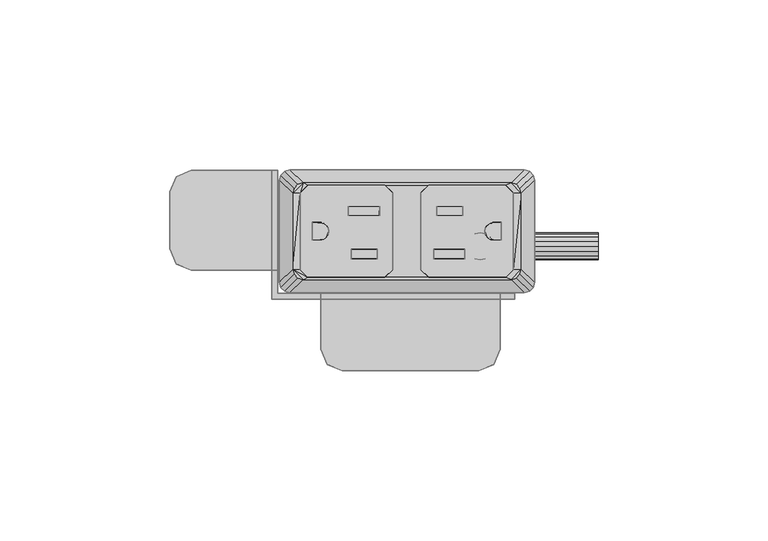
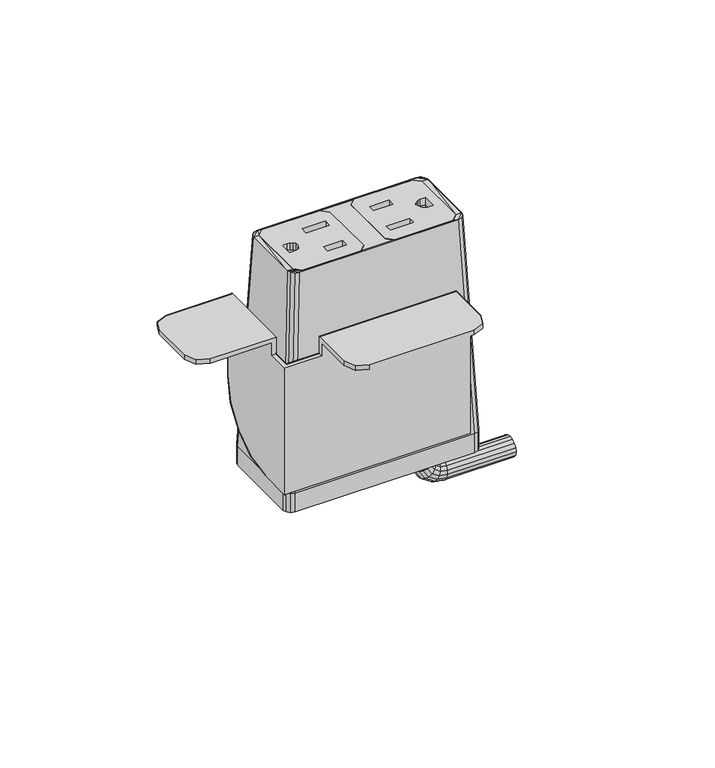
"""IFC4 building model written with IfcOpenShell, lengths in millimetres: furniture geometry."""

from ifc_helpers import new_model, si_unit, origin, place, context, project, spatial, triangles, source, transform, mapped, element, save


def furniture_efbe7db8(model_context):
    return source(origin(), model_context, "Body", "Tessellation", [
        triangles([(-23.7939078, -1.8495112, 0.038991), (-24.6426637, -2.4166258, 0.0416722), (-16.4426896, -5.3081397, 0.0553426), (-23.2267868, -1.0007643, 0.0349783), (-23.0276392, 0.0004009, 0.030245), (-23.2267868, 1.0015661, 0.0255118), (-17.3697905, 4.5977495, 0.0085098), (-17.3697905, 7.4425179, -0.0049396), (-23.7939078, 1.850313, 0.0214991), (-31.4604389, 11.3032742, -0.0231924), (-24.6426637, 2.4174274, 0.0188179), (-25.6438403, 2.6165716, 0.0178764), (-27.90444, 2.6165716, 0.0178764), (-31.4604389, -11.3024726, 0.0836825), (-27.90444, -2.6157699, 0.0426137), (-25.6438403, -2.6157699, 0.0426137), (-16.4426896, -8.1529078, 0.068792), (-4.2824401, -11.3024726, 0.0836825), (-8.78459, -8.1529078, 0.068792), (-4.2824401, 11.3032742, -0.0231924), (-8.78459, -5.3081397, 0.0553426), (-8.1114899, 7.4425179, -0.0049396), (-8.1114899, 4.5977495, 0.0085098), (-6.5684399, 13.5892493, -0.034), (-29.1744411, 13.5892493, -0.034), (-8.78459, -8.1667146, -2.851531), (-16.4426896, -8.1667146, -2.851531), (-8.78459, -5.3219465, -2.8649803), (-16.4426896, -5.3219465, -2.8649803), (-27.90444, -2.6295764, -2.8777092), (-27.90444, 2.6027651, -2.9024465), (-25.6438403, -2.6295764, -2.8777092), (-24.6426637, -2.4304322, -2.8786508), (-23.7939078, -1.8633178, -2.8813319), (-23.2267868, -1.014571, -2.8853446), (-23.0276392, -0.0134058, -2.8900778), (-23.2267868, 0.9877594, -2.894811), (-23.7939078, 1.8365063, -2.8988238), (-24.6426637, 2.403621, -2.9015049), (-25.6438403, 2.6027651, -2.9024465), (-17.3697905, 7.4287111, -2.9252623), (-8.1114899, 7.4287111, -2.9252623), (-17.3697905, 4.5839428, -2.911813), (-8.1114899, 4.5839428, -2.911813), (-31.4604389, -11.3090742, -1.3126969), (-29.1744411, -13.5950493, -1.3018894), (-29.1744411, -13.5884477, 0.09449), (-6.5684399, -13.5950493, -1.3018894), (-6.5684399, -13.5884477, 0.09449), (-4.2824401, -11.3090742, -1.3126969), (-4.2824401, 11.2966726, -1.4195718), (-6.5684399, 13.5826477, -1.4303795), (-29.1744411, 13.5826477, -1.4303795), (-31.4604389, 11.2966726, -1.4195718), (17.0497496, -5.3081397, 0.0553426), (24.4559745, -2.4166258, 0.0416722), (23.6072164, -1.8495112, 0.038991), (22.84095, 0.0004009, 0.030245), (23.0400953, -1.0007643, 0.0349783), (16.3893498, 4.5977495, 0.0085098), (23.0400953, 1.0015661, 0.0255118), (23.6072164, 1.850313, 0.0214991), (16.3893498, 7.4425179, -0.0049396), (24.4559745, 2.4174274, 0.0188179), (31.2737497, 11.3032742, -0.0231924), (27.7177508, 2.6165716, 0.0178764), (25.4571489, 2.6165716, 0.0178764), (27.7177508, -2.6157699, 0.0426137), (31.2737497, -11.3024726, 0.0836825), (25.4571489, -2.6157699, 0.0426137), (17.0497496, -8.1529078, 0.068792), (7.8041498, -8.1529078, 0.068792), (4.0957501, -11.3024726, 0.0836825), (7.8041498, -5.3081397, 0.0553426), (4.0957501, 11.3032742, -0.0231924), (8.71855, 4.5977495, 0.0085098), (8.71855, 7.4425179, -0.0049396), (28.9877496, 13.5892493, -0.034), (6.3817502, 13.5892493, -0.034), (17.0497496, -8.1667146, -2.851531), (7.8041498, -8.1667146, -2.851531), (7.8041498, -5.3219465, -2.8649803), (17.0497496, -5.3219465, -2.8649803), (27.7177508, 2.6027651, -2.9024465), (27.7177508, -2.6295764, -2.8777092), (25.4571489, -2.6295764, -2.8777092), (24.4559745, -2.4304322, -2.8786508), (23.6072164, -1.8633178, -2.8813319), (23.0400953, -1.014571, -2.8853446), (22.84095, -0.0134058, -2.8900778), (23.0400953, 0.9877594, -2.894811), (23.6072164, 1.8365063, -2.8988238), (24.4559745, 2.403621, -2.9015049), (25.4571489, 2.6027651, -2.9024465), (8.71855, 7.4287111, -2.9252623), (16.3893498, 7.4287111, -2.9252623), (16.3893498, 4.5839428, -2.911813), (8.71855, 4.5839428, -2.911813), (28.9877496, -13.5884477, 0.09449), (28.9877496, -13.5950493, -1.3018894), (31.2737497, -11.3090742, -1.3126969), (6.3817502, -13.5884477, 0.09449), (6.3817502, -13.5950493, -1.3018894), (4.0957501, -11.3090742, -1.3126969), (4.0957501, 11.2966726, -1.4195718), (6.3817502, 13.5826477, -1.4303795), (28.9877496, 13.5826477, -1.4303795), (31.2737497, 11.2966726, -1.4195718)], [[1, 2, 3], [4, 1, 5], [1, 3, 5], [6, 5, 7], [5, 3, 7], [7, 8, 9], [7, 9, 6], [8, 10, 11], [8, 11, 9], [11, 12, 13], [11, 13, 10], [10, 14, 15], [10, 15, 13], [15, 14, 2], [15, 2, 16], [2, 14, 17], [2, 17, 3], [14, 18, 19], [14, 19, 17], [18, 20, 21], [18, 21, 19], [21, 20, 22], [21, 22, 23], [3, 21, 23], [3, 23, 7], [22, 20, 10], [22, 10, 8], [10, 20, 24], [10, 24, 25], [19, 26, 27], [19, 27, 17], [21, 28, 26], [21, 26, 19], [3, 29, 28], [3, 28, 21], [17, 27, 29], [17, 29, 3], [15, 30, 31], [15, 31, 13], [16, 32, 30], [16, 30, 15], [2, 33, 32], [2, 32, 16], [1, 34, 33], [1, 33, 2], [4, 35, 34], [4, 34, 1], [5, 36, 35], [5, 35, 4], [6, 37, 36], [6, 36, 5], [9, 38, 37], [9, 37, 6], [11, 39, 38], [11, 38, 9], [12, 40, 39], [12, 39, 11], [13, 31, 40], [13, 40, 12], [8, 41, 42], [8, 42, 22], [7, 43, 41], [7, 41, 8], [23, 44, 43], [23, 43, 7], [22, 42, 44], [22, 44, 23], [14, 45, 46], [14, 46, 47], [47, 46, 48], [47, 48, 49], [48, 50, 18], [48, 18, 49], [18, 50, 51], [18, 51, 20], [51, 52, 24], [51, 24, 20], [24, 52, 53], [24, 53, 25], [53, 54, 10], [53, 10, 25], [10, 54, 45], [10, 45, 14], [47, 49, 18], [47, 18, 14], [55, 56, 57], [58, 55, 57], [58, 57, 59], [60, 55, 58], [60, 58, 61], [61, 62, 63], [61, 63, 60], [62, 64, 65], [62, 65, 63], [65, 66, 67], [65, 67, 64], [66, 68, 69], [66, 69, 65], [70, 56, 69], [70, 69, 68], [55, 71, 69], [55, 69, 56], [71, 72, 73], [71, 73, 69], [72, 74, 73], [74, 75, 73], [76, 77, 74], [77, 75, 74], [60, 76, 74], [60, 74, 55], [63, 65, 75], [63, 75, 77], [78, 79, 75], [78, 75, 65], [71, 80, 81], [71, 81, 72], [72, 81, 82], [72, 82, 74], [74, 82, 83], [74, 83, 55], [55, 83, 80], [55, 80, 71], [66, 84, 85], [66, 85, 68], [68, 85, 86], [68, 86, 70], [70, 86, 87], [70, 87, 56], [56, 87, 88], [56, 88, 57], [57, 88, 89], [57, 89, 59], [59, 89, 90], [59, 90, 58], [58, 90, 91], [58, 91, 61], [61, 91, 92], [61, 92, 62], [62, 92, 93], [62, 93, 64], [64, 93, 94], [64, 94, 67], [67, 94, 84], [67, 84, 66], [77, 95, 96], [77, 96, 63], [63, 96, 97], [63, 97, 60], [60, 97, 98], [60, 98, 76], [76, 98, 95], [76, 95, 77], [99, 100, 101], [99, 101, 69], [102, 103, 100], [102, 100, 99], [102, 73, 104], [102, 104, 103], [75, 105, 104], [75, 104, 73], [75, 79, 106], [75, 106, 105], [78, 107, 106], [78, 106, 79], [78, 65, 108], [78, 108, 107], [69, 101, 108], [69, 108, 65], [69, 73, 102], [69, 102, 99]], closed=False),
        triangles([(34.5440011, 18.0979006, -86.3297505), (34.5440011, 18.0979006, -93.9497523), (-34.5440011, 18.0979006, -93.9497523), (-34.5440011, 18.0979006, -86.3297505), (37.5920005, -15.0490996, -86.3297505), (37.5920005, -15.0490996, -93.9497523), (37.5920005, 15.0499012, -93.9497523), (37.5920005, 15.0499012, -86.3297505), (-34.5440011, -18.097099, -86.3297505), (-34.5440011, -18.097099, -93.9497523), (34.5440011, -18.097099, -93.9497523), (34.5440011, -18.097099, -86.3297505), (-37.5920005, 15.0499012, -86.3297505), (-37.5920005, 15.0499012, -93.9497523), (-37.5920005, -15.0490996, -93.9497523), (-37.5920005, -15.0490996, -86.3297505), (-33.6549997, -11.1755987, 0.030245), (-33.6549997, 11.1764004, 0.030245), (33.6549997, 11.1764004, 0.030245), (33.6549997, -11.1755987, 0.030245), (30.6070003, -14.2235992, 0.030245), (-30.6070003, -14.2235992, 0.030245), (-30.6070003, 14.2244009, 0.030245), (30.6070003, 14.2244009, 0.030245), (36.0679997, 17.6895464, -93.9497523), (36.0679997, 17.6895464, -86.3297505), (37.1836451, 16.5739009, -93.9497523), (37.1836451, 16.5739009, -86.3297505), (32.1309989, 13.8160467, 0.030245), (33.2466444, 12.7004012, 0.030245), (-36.0679997, 17.6895464, -93.9497523), (-36.0679997, 17.6895464, -86.3297505), (-37.1836451, 16.5739009, -93.9497523), (-37.1836451, 16.5739009, -86.3297505), (-32.1309989, 13.8160467, 0.030245), (-33.2466444, 12.7004012, 0.030245), (-32.1309989, -13.815245, 0.030245), (-36.0679997, -17.6887447, -86.3297505), (-33.2466444, -12.6995996, 0.030245), (-37.1836451, -16.5730993, -86.3297505), (-36.0679997, -17.6887447, -93.9497523), (-37.1836451, -16.5730993, -93.9497523), (36.0679997, -17.6887447, -93.9497523), (36.0679997, -17.6887447, -86.3297505), (37.1836451, -16.5730993, -93.9497523), (37.1836451, -16.5730993, -86.3297505), (32.1309989, -13.815245, 0.030245), (33.2466444, -12.6995996, 0.030245), (-31.4604389, 11.3032742, -0.0231924), (-29.1744411, 13.5892493, -0.034), (-31.4604389, -11.3024726, 0.0836825), (-29.1744411, -13.5884477, 0.09449), (28.9877496, -13.5884477, 0.09449), (31.2737497, -11.3024726, 0.0836825), (31.2737497, 11.3032742, -0.0231924), (28.9877496, 13.5892493, -0.034), (-4.2824401, 11.3032742, -0.0231924), (4.0957501, 11.3032742, -0.0231924), (6.3817502, 13.5892493, -0.034), (-6.5684399, 13.5892493, -0.034), (4.0957501, -11.3024726, 0.0836825), (-4.2824401, -11.3024726, 0.0836825), (-6.5684399, -13.5884477, 0.09449), (6.3817502, -13.5884477, 0.09449), (21.5344232, -0.4217913, -93.9256713), (23.0507664, -0.723411, -93.9276425), (23.0287156, -0.723411, -98.6752361), (21.5121771, -0.4217913, -98.8226108), (24.3362621, -1.5823514, -93.9293048), (24.3143748, -1.5823514, -98.5502891), (25.1952008, -2.8678465, -93.9304221), (25.1734226, -2.8678465, -98.4668095), (25.4968199, -4.3841911, -93.9308127), (25.4750802, -4.3841911, -98.4374962), (25.1952008, -5.9005363, -93.9304221), (25.1734226, -5.9005363, -98.4668095), (24.3362621, -7.1860314, -93.9293048), (24.3143748, -7.1860314, -98.5502891), (23.0507664, -8.0449713, -93.9276425), (23.0287156, -8.0449713, -98.6752361), (21.5344232, -8.3465915, -93.9256713), (21.5121771, -8.3465915, -98.8226108), (20.01808, -8.0449713, -93.9237092), (19.9956409, -8.0449713, -98.9699946), (18.7325866, -7.1860314, -93.9220378), (18.7099828, -7.1860314, -99.0949325), (17.8736467, -5.9005363, -93.9209205), (17.8509328, -5.9005363, -99.1784212), (17.5720277, -4.3841911, -93.9205299), (17.5492752, -4.3841911, -99.2077344), (17.8736467, -2.8678465, -93.9209205), (17.8509328, -2.8678465, -99.1784212), (18.7325866, -1.5823514, -93.9220378), (18.7099828, -1.5823514, -99.0949325), (20.01808, -0.723411, -93.9237092), (19.9956409, -0.723411, -98.9699946), (23.5655856, -0.723411, -101.3926847), (22.1364531, -0.4217913, -101.9824742), (24.7771441, -1.5823514, -100.8926788), (25.5866831, -2.8678465, -100.5585877), (25.8709545, -4.3841911, -100.4412711), (25.5866831, -5.9005363, -100.5585877), (24.7771441, -7.1860314, -100.8926788), (23.5655856, -8.0449713, -101.3926847), (22.1364531, -8.3465915, -101.9824742), (20.7073207, -8.0449713, -102.5722729), (19.4957622, -7.1860314, -103.0722787), (18.6862231, -5.9005363, -103.4063699), (18.4019507, -4.3841911, -103.5236865), (18.6862231, -2.8678465, -103.4063699), (19.4957622, -1.5823514, -103.0722787), (20.7073207, -0.723411, -102.5722729), (25.0170776, -0.723411, -103.5711036), (23.9224361, -0.4217913, -104.6629156), (25.9450688, -1.5823514, -102.6455242), (26.5651345, -2.8678465, -102.0270663), (26.7828719, -4.3841911, -101.8098921), (26.5651345, -5.9005363, -102.0270663), (25.9450688, -7.1860314, -102.6455242), (25.0170776, -8.0449713, -103.5711036), (23.9224361, -8.3465915, -104.6629156), (22.8277945, -8.0449713, -105.7547185), (21.8998033, -7.1860314, -106.680307), (21.2797376, -5.9005363, -107.2987649), (21.0620002, -4.3841911, -107.5159301), (21.2797376, -2.8678465, -107.2987649), (21.8998033, -1.5823514, -106.680307), (22.8277945, -0.723411, -105.7547185), (26.5982266, -0.4217913, -106.4558476), (27.1917269, -0.723411, -105.0282458), (27.6948734, -1.5823514, -103.8179908), (28.0310652, -2.8678465, -103.0093193), (28.1491198, -4.3841911, -102.7253522), (28.0310652, -5.9005363, -103.0093193), (27.6948734, -7.1860314, -103.8179908), (27.1917269, -8.0449713, -105.0282458), (26.5982266, -8.3465915, -106.4558476), (26.0047263, -8.0449713, -107.8834404), (25.5015798, -7.1860314, -109.0936953), (25.165388, -5.9005363, -109.9023669), (25.0473333, -4.3841911, -110.1863339), (25.165388, -2.8678465, -109.9023669), (25.5015798, -1.5823514, -109.0936953), (26.0047263, -0.723411, -107.8834404), (29.7564595, -0.4217913, -107.0883126), (29.9077743, -0.723411, -105.5721715), (30.0360527, -1.5823514, -104.2868394), (30.1217647, -2.8678465, -103.4280074), (30.1518637, -4.3841911, -103.1264269), (30.1217647, -5.9005363, -103.4280074), (30.0360527, -7.1860314, -104.2868394), (29.9077743, -8.0449713, -105.5721715), (29.7564595, -8.3465915, -107.0883126), (29.605147, -8.0449713, -108.6044628), (29.4768686, -7.1860314, -109.889795), (29.3911566, -5.9005363, -110.748627), (29.3610576, -4.3841911, -111.0502074), (29.3911566, -2.8678465, -110.748627), (29.4768686, -1.5823514, -109.889795), (29.605147, -0.723411, -108.6044628), (56.2608464, -0.723411, -105.584262), (56.2588798, -0.4217913, -107.100603), (56.2625133, -1.5823514, -104.2987664), (56.2636306, -2.8678465, -103.4398253), (56.2640212, -4.3841911, -103.1382086), (56.2636306, -5.9005363, -103.4398253), (56.2625133, -7.1860314, -104.2987664), (56.2608464, -8.0449713, -105.584262), (56.2588798, -8.3465915, -107.100603), (56.2569132, -8.0449713, -108.616953), (56.2552418, -7.1860314, -109.9024487), (56.254129, -5.9005363, -110.7613806), (56.2537384, -4.3841911, -111.0630064), (56.254129, -2.8678465, -110.7613806), (56.2552418, -1.5823514, -109.9024487), (56.2569132, -0.723411, -108.616953)], [[1, 2, 3], [1, 3, 4], [5, 6, 7], [5, 7, 8], [9, 10, 11], [9, 11, 12], [13, 14, 15], [13, 15, 16], [16, 17, 18], [16, 18, 13], [8, 19, 20], [8, 20, 5], [21, 22, 9], [21, 9, 12], [4, 23, 24], [4, 24, 1], [25, 2, 1], [25, 1, 26], [27, 25, 26], [27, 26, 28], [7, 27, 8], [27, 28, 8], [26, 1, 24], [26, 24, 29], [28, 26, 29], [28, 29, 30], [8, 28, 19], [28, 30, 19], [31, 32, 4], [31, 4, 3], [33, 34, 32], [33, 32, 31], [14, 13, 33], [13, 34, 33], [32, 35, 23], [32, 23, 4], [34, 36, 35], [34, 35, 32], [13, 18, 34], [18, 36, 34], [37, 38, 9], [37, 9, 22], [39, 40, 38], [39, 38, 37], [17, 16, 40], [17, 40, 39], [38, 41, 9], [41, 10, 9], [40, 42, 41], [40, 41, 38], [16, 15, 42], [16, 42, 40], [43, 44, 12], [43, 12, 11], [45, 46, 44], [45, 44, 43], [6, 5, 45], [5, 46, 45], [44, 47, 21], [44, 21, 12], [46, 48, 47], [46, 47, 44], [5, 20, 46], [20, 48, 46], [19, 30, 29], [19, 29, 24], [20, 21, 47], [20, 47, 48], [37, 22, 39], [22, 17, 39], [18, 23, 35], [18, 35, 36], [33, 42, 15], [33, 15, 14], [31, 41, 42], [31, 42, 33], [3, 10, 41], [3, 41, 31], [25, 43, 11], [25, 11, 2], [27, 45, 43], [27, 43, 25], [7, 6, 27], [6, 45, 27], [10, 3, 2], [10, 2, 11], [23, 18, 49], [23, 49, 50], [17, 51, 49], [17, 49, 18], [52, 51, 17], [52, 17, 22], [21, 53, 52], [21, 52, 22], [54, 53, 21], [54, 21, 20], [19, 55, 54], [19, 54, 20], [56, 55, 19], [56, 19, 24], [23, 50, 56], [23, 56, 24], [57, 58, 59], [57, 59, 60], [61, 58, 57], [61, 57, 62], [63, 64, 61], [63, 61, 62], [65, 66, 67], [65, 67, 68], [66, 69, 70], [66, 70, 67], [69, 71, 72], [69, 72, 70], [71, 73, 74], [71, 74, 72], [73, 75, 76], [73, 76, 74], [75, 77, 78], [75, 78, 76], [77, 79, 80], [77, 80, 78], [79, 81, 82], [79, 82, 80], [81, 83, 84], [81, 84, 82], [83, 85, 86], [83, 86, 84], [85, 87, 88], [85, 88, 86], [87, 89, 90], [87, 90, 88], [89, 91, 92], [89, 92, 90], [91, 93, 94], [91, 94, 92], [93, 95, 96], [93, 96, 94], [95, 65, 68], [95, 68, 96], [68, 67, 97], [68, 97, 98], [67, 70, 99], [67, 99, 97], [70, 72, 100], [70, 100, 99], [72, 74, 101], [72, 101, 100], [74, 76, 102], [74, 102, 101], [76, 78, 103], [76, 103, 102], [78, 80, 104], [78, 104, 103], [80, 82, 105], [80, 105, 104], [82, 84, 106], [82, 106, 105], [84, 86, 107], [84, 107, 106], [86, 88, 108], [86, 108, 107], [88, 90, 109], [88, 109, 108], [90, 92, 110], [90, 110, 109], [92, 94, 111], [92, 111, 110], [94, 96, 112], [94, 112, 111], [96, 68, 98], [96, 98, 112], [98, 97, 113], [98, 113, 114], [97, 99, 115], [97, 115, 113], [99, 100, 116], [99, 116, 115], [100, 101, 117], [100, 117, 116], [101, 102, 118], [101, 118, 117], [102, 103, 119], [102, 119, 118], [103, 104, 120], [103, 120, 119], [104, 105, 121], [104, 121, 120], [105, 106, 122], [105, 122, 121], [106, 107, 123], [106, 123, 122], [107, 108, 124], [107, 124, 123], [108, 109, 125], [108, 125, 124], [109, 110, 126], [109, 126, 125], [110, 111, 127], [110, 127, 126], [111, 112, 128], [111, 128, 127], [112, 98, 114], [112, 114, 128], [114, 113, 129], [113, 130, 129], [113, 115, 130], [115, 131, 130], [115, 116, 132], [115, 132, 131], [116, 117, 133], [116, 133, 132], [117, 118, 134], [117, 134, 133], [118, 119, 135], [118, 135, 134], [119, 120, 136], [119, 136, 135], [120, 121, 137], [120, 137, 136], [121, 122, 138], [121, 138, 137], [122, 123, 139], [122, 139, 138], [123, 124, 140], [123, 140, 139], [124, 125, 141], [124, 141, 140], [125, 126, 142], [125, 142, 141], [126, 127, 142], [127, 143, 142], [127, 128, 143], [128, 144, 143], [128, 114, 144], [114, 129, 144], [129, 130, 145], [130, 146, 145], [130, 131, 146], [131, 147, 146], [131, 132, 147], [132, 148, 147], [132, 133, 149], [132, 149, 148], [133, 134, 150], [133, 150, 149], [134, 135, 151], [134, 151, 150], [135, 136, 152], [135, 152, 151], [136, 137, 153], [136, 153, 152], [137, 138, 154], [137, 154, 153], [138, 139, 155], [138, 155, 154], [139, 140, 156], [139, 156, 155], [140, 141, 157], [140, 157, 156], [141, 142, 157], [142, 158, 157], [142, 143, 158], [143, 159, 158], [143, 144, 159], [144, 160, 159], [144, 129, 160], [129, 145, 160], [161, 162, 145], [161, 145, 146], [163, 161, 146], [163, 146, 147], [164, 163, 147], [164, 147, 148], [165, 164, 148], [165, 148, 149], [166, 165, 149], [166, 149, 150], [167, 166, 150], [167, 150, 151], [168, 167, 151], [168, 151, 152], [169, 168, 152], [169, 152, 153], [170, 169, 153], [170, 153, 154], [171, 170, 154], [171, 154, 155], [172, 171, 155], [172, 155, 156], [173, 172, 156], [173, 156, 157], [174, 173, 157], [174, 157, 158], [175, 174, 158], [175, 158, 159], [176, 175, 159], [176, 159, 160], [162, 176, 160], [162, 160, 145]], closed=False),
        triangles([(-39.877862, -20.0053491, -32.258001), (-39.877862, 17.967651, -32.258001), (-39.877862, -7.4323486, -83.8200018), (-39.877862, -20.0053491, -83.8200018), (31.7501378, -20.0053491, -83.8200018), (31.7501378, -20.0053491, -32.258001), (31.7501378, -18.2273485, -32.258001), (31.7501378, -18.2273485, -83.8200018), (-38.0998637, -18.2273485, -83.8200018), (-38.0998637, -18.2273485, -32.258001), (-38.0998637, 17.967651, -32.258001), (-38.0998637, -7.4323486, -83.8200018), (-39.877862, 17.967651, -58.4199988), (-39.877862, 17.967651, -27.1779991), (-38.0998637, 17.967651, -25.4000008), (-38.0998637, 17.967651, -58.4199988), (-63.4998622, 17.967651, -27.1779991), (-63.4998622, 17.967651, -25.4000008), (-69.8498653, 11.6176514, -25.4000008), (-69.8498653, 11.6176514, -27.1779991), (-69.8498653, -5.1209487, -27.1779991), (-69.8498653, -5.1209487, -25.4000008), (-63.4998622, -11.4709489, -25.4000008), (-63.4998622, -11.4709489, -27.1779991), (-39.877862, -11.4709489, -27.1779991), (-38.0998637, -11.4709489, -25.4000008), (-38.0998637, -11.4709489, -32.258001), (-39.877862, -11.4709489, -32.258001), (-25.3998622, -18.2273485, -25.4000008), (-25.3998622, -18.2273485, -32.258001), (-25.3998622, -20.0053491, -32.258001), (-25.3998622, -20.0053491, -27.1779991), (-25.3998622, -34.7119483, -27.1779991), (-25.3998622, -34.7119483, -25.4000008), (-19.0498626, -41.0619467, -25.4000008), (-19.0498626, -41.0619467, -27.1779991), (21.0821366, -41.0619467, -27.1779991), (21.0821366, -41.0619467, -25.4000008), (27.4321373, -34.7119483, -25.4000008), (27.4321373, -34.7119483, -27.1779991), (27.4321373, -20.0053491, -27.1779991), (27.4321373, -18.2273485, -25.4000008), (27.4321373, -18.2273485, -32.258001), (27.4321373, -20.0053491, -32.258001), (-67.9899906, -9.6110765, -27.1779991), (-67.9899906, -9.6110765, -25.4000008), (-67.9899906, 16.1077797, -27.1779991), (-67.9899906, 16.1077797, -25.4000008), (-23.5399921, -39.2020766, -27.1779991), (-23.5399921, -39.2020766, -25.4000008), (25.572265, -39.2020766, -27.1779991), (25.572265, -39.2020766, -25.4000008), (-38.0998637, 2.2878106, -81.8865443), (-39.877862, 2.2878106, -81.8865443), (-38.0998637, 10.5281637, -76.3805122), (-39.877862, 10.5281637, -76.3805122), (-38.0998637, 16.0341912, -68.1401586), (-39.877862, 16.0341912, -68.1401586)], [[1, 2, 3], [1, 3, 4], [1, 4, 5], [1, 5, 6], [7, 6, 5], [7, 5, 8], [7, 8, 9], [7, 9, 10], [11, 10, 9], [11, 9, 12], [13, 14, 15], [13, 15, 16], [15, 14, 17], [15, 17, 18], [19, 20, 21], [19, 21, 22], [23, 24, 25], [23, 25, 26], [27, 26, 25], [27, 25, 28], [29, 30, 31], [29, 31, 32], [29, 32, 33], [29, 33, 34], [35, 36, 37], [35, 37, 38], [39, 40, 41], [39, 41, 42], [43, 42, 41], [43, 41, 44], [22, 21, 45], [22, 45, 46], [46, 45, 24], [46, 24, 23], [18, 17, 47], [18, 47, 48], [48, 47, 20], [48, 20, 19], [34, 33, 49], [34, 49, 50], [50, 49, 36], [50, 36, 35], [38, 37, 51], [38, 51, 52], [52, 51, 40], [52, 40, 39], [49, 33, 40], [49, 40, 51], [36, 49, 37], [49, 51, 37], [52, 39, 34], [52, 34, 50], [38, 52, 35], [52, 50, 35], [21, 20, 45], [20, 47, 45], [45, 47, 17], [45, 17, 24], [19, 22, 48], [22, 46, 48], [48, 46, 23], [48, 23, 18], [15, 18, 26], [18, 23, 26], [15, 26, 27], [15, 27, 11], [2, 28, 25], [2, 25, 14], [17, 14, 25], [17, 25, 24], [42, 43, 30], [42, 30, 29], [42, 29, 39], [29, 34, 39], [40, 33, 32], [40, 32, 41], [44, 41, 32], [44, 32, 31], [1, 31, 30], [1, 30, 10], [1, 10, 27], [1, 27, 28], [43, 44, 6], [43, 6, 7], [4, 3, 12], [4, 12, 9], [4, 9, 8], [4, 8, 5], [53, 12, 3], [53, 3, 54], [55, 53, 54], [55, 54, 56], [57, 55, 56], [57, 56, 58], [16, 57, 58], [16, 58, 13], [3, 2, 13], [3, 13, 54], [54, 13, 58], [54, 58, 56], [16, 11, 53], [11, 12, 53], [57, 16, 55], [16, 53, 55]], closed=False),
    ])


if __name__ == "__main__":
    model = new_model("IFC4")
    model_context = context("Model", 3, world=origin())
    ifc_project = project(units=[si_unit("LENGTHUNIT", "METRE", prefix="MILLI")], contexts=[model_context])
    site = spatial("IfcSite", under=ifc_project)
    building = spatial("IfcBuilding", under=site)
    placement = place(None, origin())
    furniture_shape = furniture_efbe7db8(model_context)
    element("IfcFurniture", 1, at=placement, inside=building, context=model_context, shape_type="MappedRepresentation", body=[
        mapped(furniture_shape, transform((0.0, 0.0, 0.0), x_axis=(1.0, 0.0, 0.0), y_axis=(0.0, 1.0, 0.0), z_axis=(0.0, 0.0, 1.0))),
    ])
    save(model, "model.ifc")
